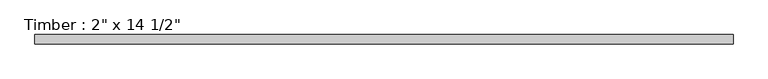
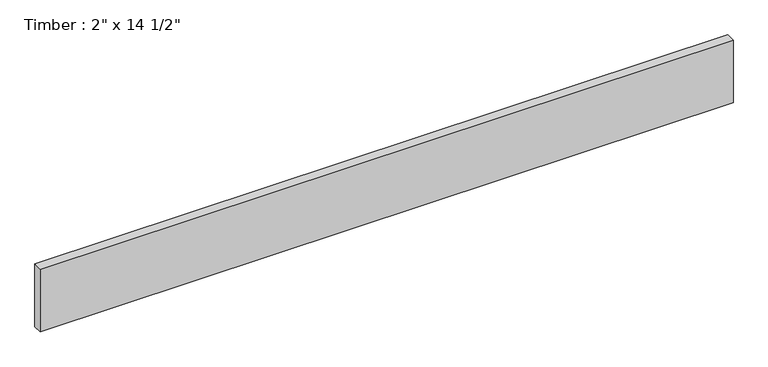
"""IFC4 building model written with IfcOpenShell, lengths in millimetres: beam geometry."""

from ifc_helpers import new_model, si_unit, frame, origin, place, context, project, spatial, polyline, outline, extrude, source, transform, mapped, element, save


def beam_725195b3(model_context):
    return source(origin(), model_context, "Body", "SweptSolid", [
        extrude(outline(polyline([(1921.9785271, 25.4), (1921.9785271, -25.4), (-1921.9785271, -25.4), (-1921.9785271, 25.4), (1921.9785271, 25.4)])), frame((0.0, 0.0, -184.15), z_axis=(0.0, 0.0, 1.0), x_axis=(1.0, 0.0, 0.0)), (0.0, 0.0, 1.0), 368.3),
    ])


if __name__ == "__main__":
    model = new_model("IFC4")
    model_context = context("Model", 3, world=origin())
    ifc_project = project(units=[si_unit("LENGTHUNIT", "METRE", prefix="MILLI")], contexts=[model_context])
    site = spatial("IfcSite", under=ifc_project)
    building = spatial("IfcBuilding", under=site)
    placement = place(None, origin())
    beam_shape = beam_725195b3(model_context)
    element("IfcBeam", 1, ObjectType="Timber : 2\" x 14 1/2\"", at=placement, inside=building, context=model_context, shape_type="MappedRepresentation", body=[
        mapped(beam_shape, transform((0.0, 0.0, 0.0), x_axis=(1.0, 0.0, 0.0), y_axis=(0.0, 1.0, 0.0), z_axis=(0.0, 0.0, 1.0))),
    ])
    save(model, "model.ifc")
